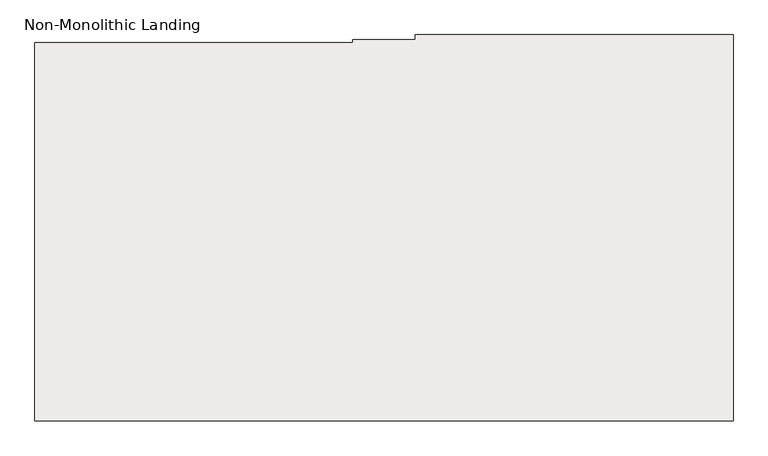
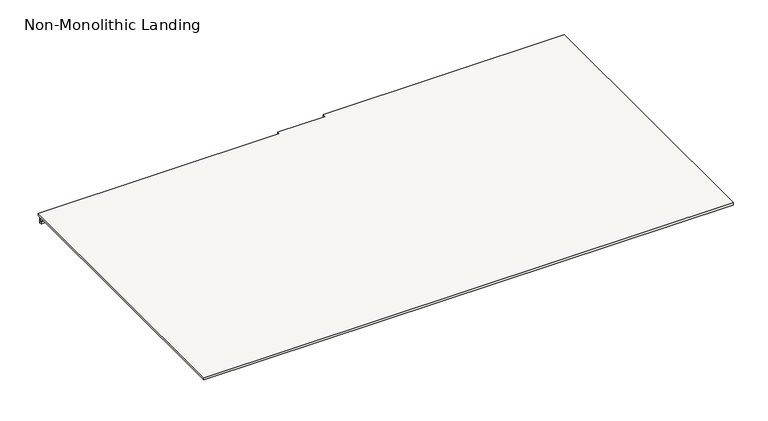
"""IFC4 building model written with IfcOpenShell, lengths in millimetres: slab geometry, Non-Monolithic Landing."""

from ifc_helpers import new_model, si_unit, origin, place, context, project, spatial, faceted_brep, source, transform, mapped, element, save


def non_monolithic_landing_0856fc7d(model_context):
    return source(origin(), model_context, "Body", "Brep", [
        faceted_brep([(-7622.7515248, -4558.9832568, 3979.7647059), (-7622.7515248, -4543.9832568, 3979.7647059), (-8622.7515248, -4543.9832568, 3979.7647059), (-8622.7515248, -4558.9832568, 3979.7647059), (-8819.2515248, -4558.9832568, 3979.7647059), (-8819.2515248, -4568.9832568, 3979.7647059), (-9819.2515248, -4568.9832568, 3979.7647059), (-9819.2515248, -5758.9832568, 3979.7647059), (-7622.7515248, -5758.9832568, 3979.7647059), (-7622.7515248, -4543.9832568, 3969.7647059), (-7622.7515248, -4558.9832568, 3969.7647059), (-7622.7515248, -5758.9832568, 3969.7647059), (-9819.2515248, -5758.9832568, 3969.7647059), (-9819.2515248, -4582.2776112, 3969.7647059), (-8819.2515248, -4582.2776112, 3969.7647059), (-8819.2515248, -4578.9832568, 3969.7647059), (-9819.2515248, -4578.9832568, 3969.7647059), (-9819.2515248, -4568.9832568, 3969.7647059), (-8819.2515248, -4568.9832568, 3969.7647059), (-8819.2515248, -4558.9832568, 3969.7647059), (-8622.7515248, -4558.9832568, 3969.7647059), (-8622.7515248, -4543.9832568, 3969.7647059), (-9819.2515248, -4578.9832568, 3943.8840866), (-9819.2515248, -4588.1775789, 3943.8840866), (-9819.2515248, -4588.1775789, 3953.1427353), (-9819.2515248, -4582.2776112, 3953.1297322), (-8819.2515248, -4588.1775789, 3943.8840866), (-8819.2515248, -4578.9832568, 3943.8840866), (-8819.2515248, -4582.2776112, 3953.1297322), (-8819.2515248, -4588.1775789, 3953.1427353)], [[[0, 1, 2, 3, 4, 5, 6, 7, 8]], [[9, 10, 11, 12, 13, 14, 15, 16, 17, 18, 19, 20, 21]], [[6, 17, 16, 22, 23, 24, 25, 13, 12, 7]], [[8, 7, 12, 11]], [[0, 8, 11, 10]], [[4, 3, 20, 19]], [[2, 1, 9, 21]], [[1, 0, 10, 9]], [[3, 2, 21, 20]], [[6, 5, 18, 17]], [[26, 27, 15, 14, 28, 29]], [[27, 22, 16, 15]], [[23, 22, 27, 26]], [[24, 23, 26, 29]], [[25, 24, 29, 28]], [[25, 28, 14, 13]], [[5, 4, 19, 18]]]),
    ])


if __name__ == "__main__":
    model = new_model("IFC4")
    model_context = context("Model", 3, world=origin())
    ifc_project = project(units=[si_unit("LENGTHUNIT", "METRE", prefix="MILLI")], contexts=[model_context])
    site = spatial("IfcSite", under=ifc_project)
    building = spatial("IfcBuilding", under=site)
    placement = place(None, origin())
    non_monolithic_landing_shape = non_monolithic_landing_0856fc7d(model_context)
    element("IfcSlab", 1, ObjectType="Non-Monolithic Landing", at=placement, inside=building, context=model_context, shape_type="MappedRepresentation", body=[
        mapped(non_monolithic_landing_shape, transform((0.0, 0.0, 0.0), x_axis=(1.0, 0.0, 0.0), y_axis=(0.0, 1.0, 0.0), z_axis=(0.0, 0.0, 1.0))),
    ])
    save(model, "model.ifc")
